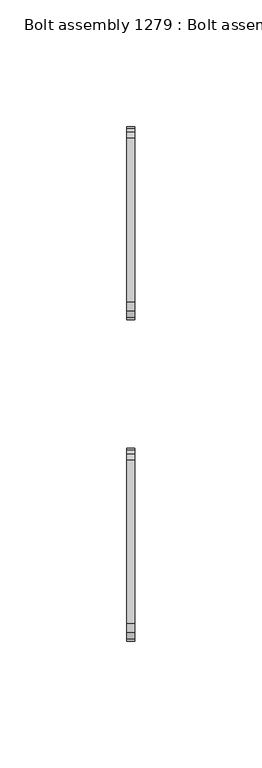
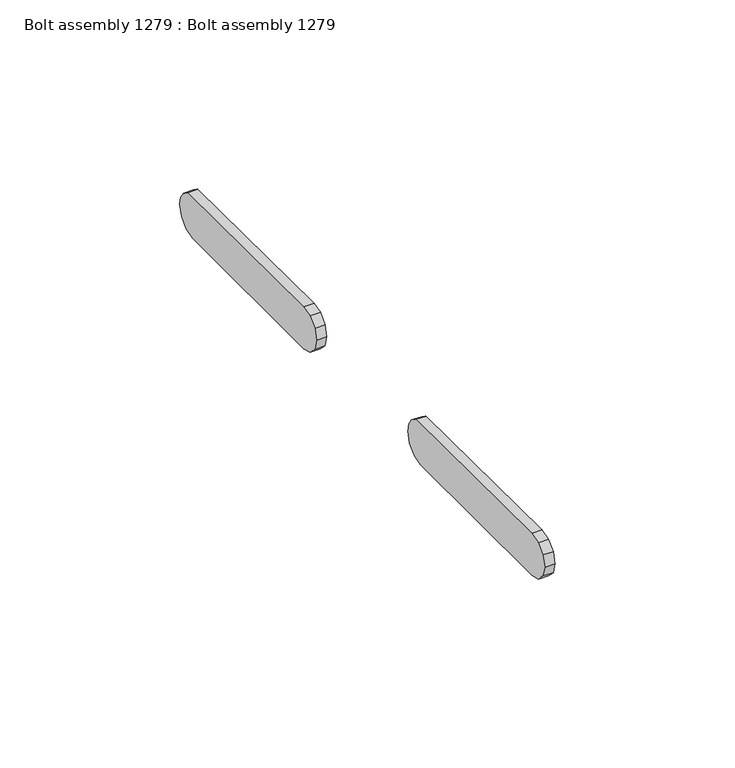
"""IFC4 building model written with IfcOpenShell, lengths in millimetres: proxy geometry, Bolt assembly 1279 : Bolt assembly 1279."""

from ifc_helpers import new_model, si_unit, frame, origin, place, context, project, spatial, polyline, outline, extrude, source, transform, mapped, element, save


def bolt_assembly_1279_bolt_assembly_1279_8dcf079b(model_context):
    return source(origin(), model_context, "Body", "SweptSolid", [
        extrude(outline(polyline([(811.8427507, -76.5975015), (809.2274992, -79.212753), (805.6549992, -80.1700015), (743.7449993, -80.1700015), (740.1724993, -79.212753), (737.5572478, -76.5975015), (736.5999993, -73.0250015), (737.5572478, -69.4525015), (740.1724993, -66.83725), (743.7449993, -65.8800015), (808.3892723, -66.4238823), (810.7072771, -67.9727236), (812.2561184, -70.2907284), (812.7999991, -73.0250015), (811.8427507, -76.5975015)])), frame((-4.8624985, 0.0, 0.0), z_axis=(1.0, 0.0, 0.0), x_axis=(0.0, 1.0, 0.0)), (0.0, 0.0, 1.0), 3.275),
        extrude(outline(polyline([(684.8427507, -76.5975015), (682.2274992, -79.212753), (678.6549992, -80.1700015), (616.7449993, -80.1700015), (613.1724993, -79.212753), (610.5572478, -76.5975015), (609.5999993, -73.0250015), (610.5572478, -69.4525015), (613.1724993, -66.83725), (616.7449993, -65.8800015), (681.3892723, -66.4238823), (683.7072771, -67.9727236), (685.2561184, -70.2907284), (685.7999991, -73.0250015), (684.8427507, -76.5975015)])), frame((-4.8624985, 0.0, 0.0), z_axis=(1.0, 0.0, 0.0), x_axis=(0.0, 1.0, 0.0)), (0.0, 0.0, 1.0), 3.275),
    ])


if __name__ == "__main__":
    model = new_model("IFC4")
    model_context = context("Model", 3, world=origin())
    ifc_project = project(units=[si_unit("LENGTHUNIT", "METRE", prefix="MILLI")], contexts=[model_context])
    site = spatial("IfcSite", under=ifc_project)
    building = spatial("IfcBuilding", under=site)
    placement = place(None, origin())
    bolt_assembly_1279_bolt_assembly_1279_shape = bolt_assembly_1279_bolt_assembly_1279_8dcf079b(model_context)
    element("IfcBuildingElementProxy", 1, Name="Bolt assembly 1279 : Bolt assembly 1279", ObjectType="Bolt assembly 1279 : Bolt assembly 1279", at=placement, inside=building, context=model_context, shape_type="MappedRepresentation", body=[
        mapped(bolt_assembly_1279_bolt_assembly_1279_shape, transform((0.0, 0.0, 0.0), x_axis=(1.0, 0.0, 0.0), y_axis=(0.0, 1.0, 0.0), z_axis=(0.0, 0.0, 1.0))),
    ])
    save(model, "model.ifc")
